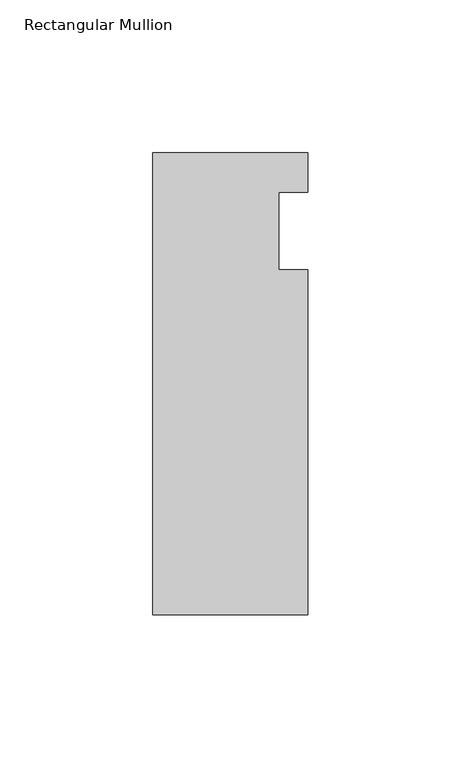
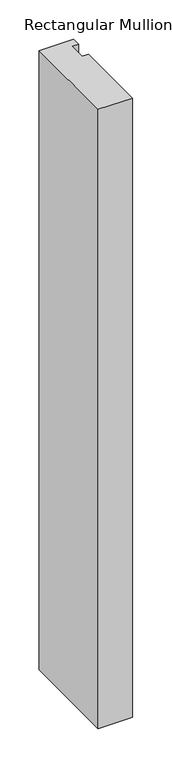
"""IFC4 building model written with IfcOpenShell, lengths in millimetres: member geometry, Rectangular Mullion."""

import ifcopenshell
import ifcopenshell.guid

model = None  # the IFC model being written
_history = None  # IfcOwnerHistory: only IFC2X3 demands one
_inside = {}  # id of a spatial element -> (the spatial element, [elements in it])
_under = {}  # id of a project, library or spatial element -> (it, [spatial elements below it])
_declared = {}  # id of a project -> (the project, [libraries it declares])
_typed = {}  # id of a type object -> (the type object, [elements of that type])
_made_of = {}  # id of a material, layer set ... -> (it, [elements and type objects made of it])


def new_model(schema):
    """Start an empty IFC model of exactly this schema.

    Asked for "IFC4X3", IfcOpenShell would pick the latest addendum, in which some entities
    have other attributes; the version numbers below select the first issue.
    IFC2X3 requires an IfcOwnerHistory on every rooted entity: one is made here for all.
    """
    global model, _history
    if schema == "IFC4X3":
        model = ifcopenshell.file(schema_version=(4, 3, 0, 0))
    else:
        model = ifcopenshell.file(schema=schema)
    _inside.clear()
    _under.clear()
    _declared.clear()
    _typed.clear()
    _made_of.clear()
    _history = None
    if model.schema == "IFC2X3":
        org = make("IfcOrganization", Name="unknown")
        user = make(
            "IfcPersonAndOrganization",
            ThePerson=make("IfcPerson", FamilyName="unknown"),
            TheOrganization=org,
        )
        app = make(
            "IfcApplication",
            ApplicationDeveloper=org,
            Version="unknown",
            ApplicationFullName="unknown",
            ApplicationIdentifier="unknown",
        )
        _history = make(
            "IfcOwnerHistory",
            OwningUser=user,
            OwningApplication=app,
            ChangeAction="ADDED",
            CreationDate=0,
        )
    return model


def make(cls, **values):
    """One entity of the class cls with the attributes given. An attribute that is None is left unset."""
    return model.create_entity(
        cls, **{name: value for name, value in values.items() if value is not None}
    )


def rooted(cls, **values):
    """An entity with a GlobalId (a new one), such as an element, a storey or a relation."""
    return make(cls, GlobalId=ifcopenshell.guid.new(), OwnerHistory=_history, **values)


def si_unit(unit_type, name, prefix=None):
    """IfcSIUnit, for example si_unit("LENGTHUNIT", "METRE", prefix="MILLI")."""
    return make("IfcSIUnit", UnitType=unit_type, Prefix=prefix, Name=name)


def assignment(units):
    """IfcUnitAssignment: the units of a project."""
    return None if units is None else make("IfcUnitAssignment", Units=units)


def point(xyz):
    """IfcCartesianPoint."""
    return None if xyz is None else make("IfcCartesianPoint", Coordinates=xyz)


def direction(xyz):
    """IfcDirection."""
    return None if xyz is None else make("IfcDirection", DirectionRatios=xyz)


def frame(location, z_axis=None, x_axis=None):
    """IfcAxis2Placement3D, a coordinate frame: its origin and axes. An axis left out is left unset."""
    return make(
        "IfcAxis2Placement3D",
        Location=point(location),
        Axis=direction(z_axis),
        RefDirection=direction(x_axis),
    )


def origin():
    """The frame at (0, 0, 0) with its axes left unset."""
    return frame((0.0, 0.0, 0.0))


def place(relative_to, where):
    """IfcLocalPlacement: puts the frame where relative to a parent placement (None: the world)."""
    return make(
        "IfcLocalPlacement", PlacementRelTo=relative_to, RelativePlacement=where
    )


def context(
    kind, dimensions, precision=None, world=None, true_north=None, identifier=None
):
    """IfcGeometricRepresentationContext, for example the 3D "Model" context."""
    return make(
        "IfcGeometricRepresentationContext",
        ContextIdentifier=identifier,
        ContextType=kind,
        CoordinateSpaceDimension=dimensions,
        Precision=precision,
        WorldCoordinateSystem=world,
        TrueNorth=true_north,
    )


def project(units=None, contexts=None):
    """IfcProject with its units and contexts."""
    return rooted(
        "IfcProject",
        Name="project",
        RepresentationContexts=contexts,
        UnitsInContext=assignment(units),
    )


def spatial(cls, under=None, at=None, **own):
    """A site, building, storey or space (cls), placed at a placement, below another one or the project."""
    s = rooted(cls, ObjectPlacement=at, **own)
    if under is not None:
        _under.setdefault(under.id(), (under, []))[1].append(s)
    return s


def polyline(points):
    """IfcPolyline through the points."""
    return make("IfcPolyline", Points=[point(p) for p in points])


def outline(outer, holes=None, kind="AREA"):
    """IfcArbitraryClosedProfileDef: a profile drawn as a closed curve; with holes, ...WithVoids."""
    if holes is None:
        return make("IfcArbitraryClosedProfileDef", ProfileType=kind, OuterCurve=outer)
    return make(
        "IfcArbitraryProfileDefWithVoids",
        ProfileType=kind,
        OuterCurve=outer,
        InnerCurves=holes,
    )


def extrude(swept, where, along, depth):
    """IfcExtrudedAreaSolid: the profile swept, set in the frame where, extruded along a direction by depth."""
    return make(
        "IfcExtrudedAreaSolid",
        SweptArea=swept,
        Position=where,
        ExtrudedDirection=direction(along),
        Depth=depth,
    )


def shape(context_of_items, identifier, shape_type, items):
    """IfcShapeRepresentation: the items that make up one representation, for example the "Body"."""
    return make(
        "IfcShapeRepresentation",
        ContextOfItems=context_of_items,
        RepresentationIdentifier=identifier,
        RepresentationType=shape_type,
        Items=items,
    )


def source(mapping_origin, context_of_items, identifier, shape_type, items):
    """IfcRepresentationMap: a shape defined once, which mapped items show again and again."""
    return make(
        "IfcRepresentationMap",
        MappingOrigin=mapping_origin,
        MappedRepresentation=shape(context_of_items, identifier, shape_type, items),
    )


def transform(
    local_origin,
    x_axis=None,
    y_axis=None,
    z_axis=None,
    scale=None,
    scale2=None,
    scale3=None,
    uniform=True,
):
    """IfcCartesianTransformationOperator3D, or its non-uniform kind. x_axis, y_axis, z_axis: its Axis1, 2, 3."""
    if uniform:
        return make(
            "IfcCartesianTransformationOperator3D",
            Axis1=direction(x_axis),
            Axis2=direction(y_axis),
            LocalOrigin=point(local_origin),
            Scale=scale,
            Axis3=direction(z_axis),
        )
    return make(
        "IfcCartesianTransformationOperator3DnonUniform",
        Axis1=direction(x_axis),
        Axis2=direction(y_axis),
        LocalOrigin=point(local_origin),
        Scale=scale,
        Axis3=direction(z_axis),
        Scale2=scale2,
        Scale3=scale3,
    )


def mapped(mapping_source, mapping_target):
    """IfcMappedItem: shows the shape of a source again, moved by a transform."""
    return make(
        "IfcMappedItem", MappingSource=mapping_source, MappingTarget=mapping_target
    )


def made_of(thing, what):
    """Note that an element or type object is made of a material, layer set ...; save() writes the relation."""
    if what is not None:
        _made_of.setdefault(what.id(), (what, []))[1].append(thing)
    return thing


def element(
    cls,
    number,
    at=None,
    inside=None,
    cuts=None,
    type_object=None,
    material=None,
    context=None,
    identifier="Body",
    shape_type=None,
    held_by="IfcProductDefinitionShape",
    body=None,
    shapes=None,
    **own,
):
    """One element of the class cls, such as IfcWall. Its Tag is "e" and its number.

    at: its placement. inside: the storey or other place that contains it. cuts: it is an
    opening in that element (IfcRelVoidsElement). A single representation is given by context,
    identifier, shape_type and body (its items); several are given by shapes. held_by: the class
    of the entity that holds the representations. save() writes the other relations.
    """
    e = rooted(cls, Tag="e%d" % number, ObjectPlacement=at, **own)
    if body is not None:
        shapes = [shape(context, identifier, shape_type, body)]
    if shapes is not None:
        e.Representation = make(held_by, Representations=shapes)
    if inside is not None:
        _inside.setdefault(inside.id(), (inside, []))[1].append(e)
    if cuts is not None:
        rooted(
            "IfcRelVoidsElement", RelatingBuildingElement=cuts, RelatedOpeningElement=e
        )
    if type_object is not None:
        _typed.setdefault(type_object.id(), (type_object, []))[1].append(e)
    return made_of(e, material)


def aggregate(whole, parts):
    """IfcRelAggregates: a whole, such as a stair, and the parts it consists of."""
    return rooted("IfcRelAggregates", RelatingObject=whole, RelatedObjects=parts)


def save(model, path):
    """Write the relations noted so far, then the file.

    IfcRelAggregates (storeys below a building ...), IfcRelContainedInSpatialStructure (elements
    in a storey), IfcRelDefinesByType, IfcRelAssociatesMaterial and IfcRelDeclares: one each for
    every whole, place, type object, material and project.
    """
    for whole, parts in _under.values():
        aggregate(whole, parts)
    for where, things in _inside.values():
        rooted(
            "IfcRelContainedInSpatialStructure",
            RelatedElements=things,
            RelatingStructure=where,
        )
    for kind, things in _typed.values():
        rooted("IfcRelDefinesByType", RelatedObjects=things, RelatingType=kind)
    for what, things in _made_of.values():
        rooted("IfcRelAssociatesMaterial", RelatedObjects=things, RelatingMaterial=what)
    for by, libraries in _declared.values():
        rooted("IfcRelDeclares", RelatingContext=by, RelatedDefinitions=libraries)
    model.write(path)


def rectangular_mullion_80b801af(model_context):
    return source(origin(), model_context, "Body", "SweptSolid", [
        extrude(outline(polyline([(-25.4, 25.58415), (25.4, 25.58415), (25.4, 12.7), (15.875, 12.7), (15.875, -12.7), (25.4, -12.7), (25.4, -125.59665), (-25.4, -125.59665), (-25.4, 25.58415)])), frame((0.0, 0.0, -965.2), z_axis=(0.0, 0.0, 1.0), x_axis=(1.0, 0.0, 0.0)), (0.0, 0.0, 1.0), 965.2),
    ])


if __name__ == "__main__":
    model = new_model("IFC4")
    model_context = context("Model", 3, world=origin())
    ifc_project = project(units=[si_unit("LENGTHUNIT", "METRE", prefix="MILLI")], contexts=[model_context])
    site = spatial("IfcSite", under=ifc_project)
    building = spatial("IfcBuilding", under=site)
    placement = place(None, origin())
    rectangular_mullion_shape = rectangular_mullion_80b801af(model_context)
    element("IfcMember", 1, ObjectType="Rectangular Mullion", at=placement, inside=building, context=model_context, shape_type="MappedRepresentation", body=[
        mapped(rectangular_mullion_shape, transform((0.0, 0.0, 0.0), x_axis=(1.0, 0.0, 0.0), y_axis=(0.0, 1.0, 0.0), z_axis=(0.0, 0.0, 1.0))),
    ])
    save(model, "model.ifc")
